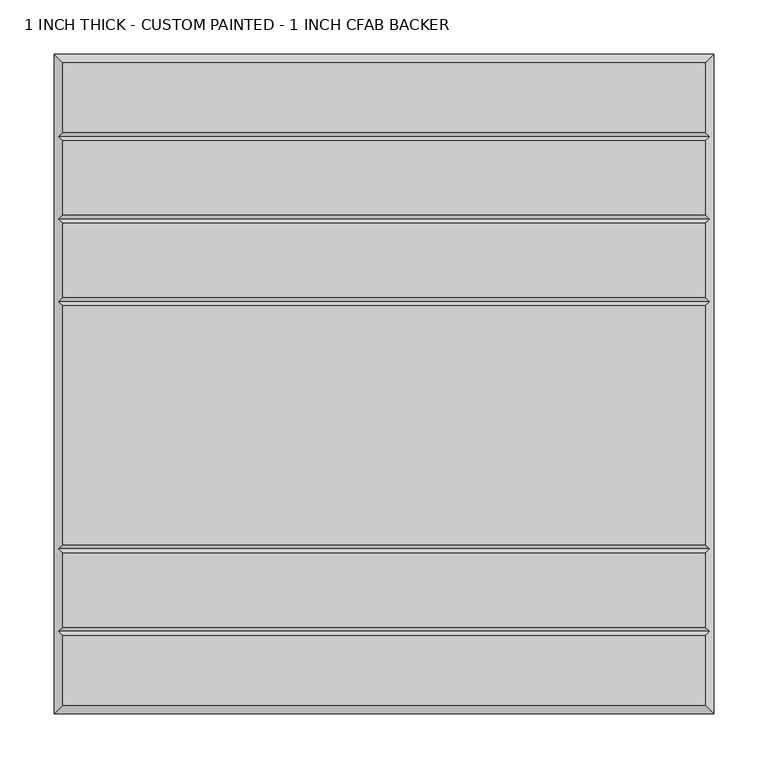
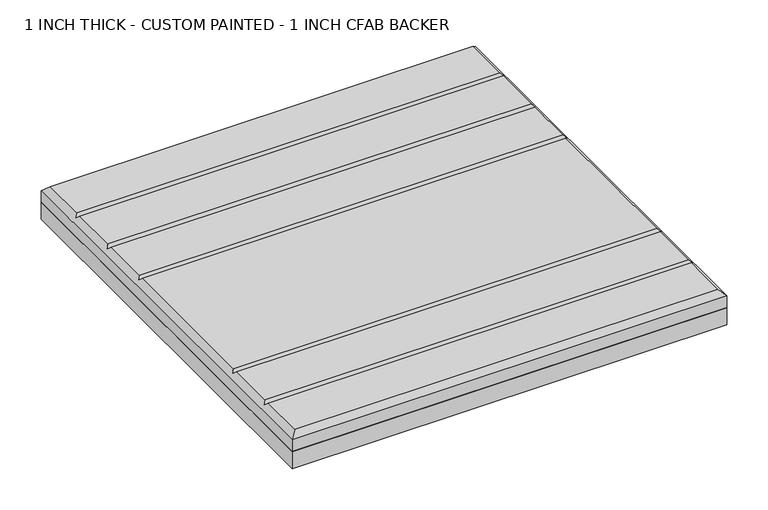
"""IFC4 building model written with IfcOpenShell, lengths in millimetres: proxy geometry, 1 INCH THICK - CUSTOM PAINTED - 1 INCH CFAB BACKER."""

from ifc_helpers import new_model, si_unit, frame, origin, place, context, project, spatial, polyline, outline, extrude, faceted_brep, source, transform, mapped, element, save


def proxy_1_inch_thick_custom_painted_1_inch_cfab_backer_fdb428c8(model_context):
    return source(origin(), model_context, "Body", "SolidModel", [
        extrude(outline(polyline([(-304.8, 304.8), (304.8, 304.8), (304.8, -304.8), (-304.8, -304.8), (-304.8, 304.8)])), frame((0.0, 0.0, -25.4), z_axis=(0.0, 0.0, 1.0), x_axis=(1.0, 0.0, 0.0)), (0.0, 0.0, 1.0), 25.4),
        faceted_brep([(296.799, 296.799, 25.4), (-296.799, 296.799, 25.4), (-296.799, 232.6005, 25.4), (296.799, 232.6005, 25.4), (-296.799, -296.799, 25.4), (296.799, -296.799, 25.4), (296.799, -232.6005, 25.4), (-296.799, -232.6005, 25.4), (296.799, 148.3995, 25.4), (-296.799, 148.3995, 25.4), (-296.799, 80.2005, 25.4), (296.799, 80.2005, 25.4), (-296.799, 156.4005, 25.4), (296.799, 156.4005, 25.4), (296.799, 224.5995, 25.4), (-296.799, 224.5995, 25.4), (296.799, 72.1995, 25.4), (-296.799, 72.1995, 25.4), (-296.799, -148.3995, 25.4), (296.799, -148.3995, 25.4), (296.799, -156.4005, 25.4), (-296.799, -156.4005, 25.4), (-296.799, -224.5995, 25.4), (296.799, -224.5995, 25.4), (-304.8, 304.8, 0.0), (304.8, 304.8, 0.0), (304.8, -304.8, 0.0), (-304.8, -304.8, 0.0), (-304.8, -304.8, 17.399), (-304.8, 304.8, 17.399), (304.8, -304.8, 17.399), (304.8, 304.8, 17.399), (-300.7995, -228.6, 21.3995), (-300.7995, -152.4, 21.3995), (-300.7995, 76.2, 21.3995), (-300.7995, 152.4, 21.3995), (-300.7995, 228.6, 21.3995), (300.7995, 228.6, 21.3995), (300.7995, 152.4, 21.3995), (300.7995, 76.2, 21.3995), (300.7995, -152.4, 21.3995), (300.7995, -228.6, 21.3995)], [[[0, 1, 2, 3]], [[4, 5, 6, 7]], [[8, 9, 10, 11]], [[12, 13, 14, 15]], [[16, 17, 18, 19]], [[20, 21, 22, 23]], [[24, 25, 26, 27]], [[24, 27, 28, 29]], [[27, 26, 30, 28]], [[26, 25, 31, 30]], [[25, 24, 29, 31]], [[29, 1, 0, 31]], [[1, 29, 28, 4, 7, 32, 22, 21, 33, 18, 17, 34, 10, 9, 35, 12, 15, 36, 2]], [[4, 28, 30, 5]], [[31, 0, 3, 37, 14, 13, 38, 8, 11, 39, 16, 19, 40, 20, 23, 41, 6, 5, 30]], [[38, 35, 9, 8]], [[35, 38, 13, 12]], [[39, 34, 17, 16]], [[34, 39, 11, 10]], [[40, 33, 21, 20]], [[33, 40, 19, 18]], [[41, 32, 7, 6]], [[32, 41, 23, 22]], [[37, 36, 15, 14]], [[36, 37, 3, 2]]]),
    ])


if __name__ == "__main__":
    model = new_model("IFC4")
    model_context = context("Model", 3, world=origin())
    ifc_project = project(units=[si_unit("LENGTHUNIT", "METRE", prefix="MILLI")], contexts=[model_context])
    site = spatial("IfcSite", under=ifc_project)
    building = spatial("IfcBuilding", under=site)
    placement = place(None, origin())
    proxy_1_inch_thick_custom_painted_1_inch_cfab_backer_shape = proxy_1_inch_thick_custom_painted_1_inch_cfab_backer_fdb428c8(model_context)
    element("IfcBuildingElementProxy", 1, Name="1 INCH THICK - CUSTOM PAINTED - 1 INCH CFAB BACKER", ObjectType="1 INCH THICK - CUSTOM PAINTED - 1 INCH CFAB BACKER", at=placement, inside=building, context=model_context, shape_type="MappedRepresentation", body=[
        mapped(proxy_1_inch_thick_custom_painted_1_inch_cfab_backer_shape, transform((0.0, 0.0, 0.0), x_axis=(1.0, 0.0, 0.0), y_axis=(0.0, 1.0, 0.0), z_axis=(0.0, 0.0, 1.0))),
    ])
    save(model, "model.ifc")
